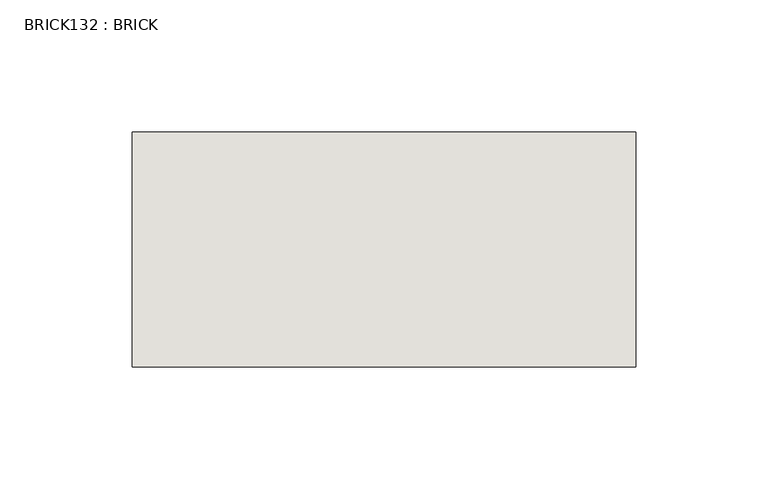
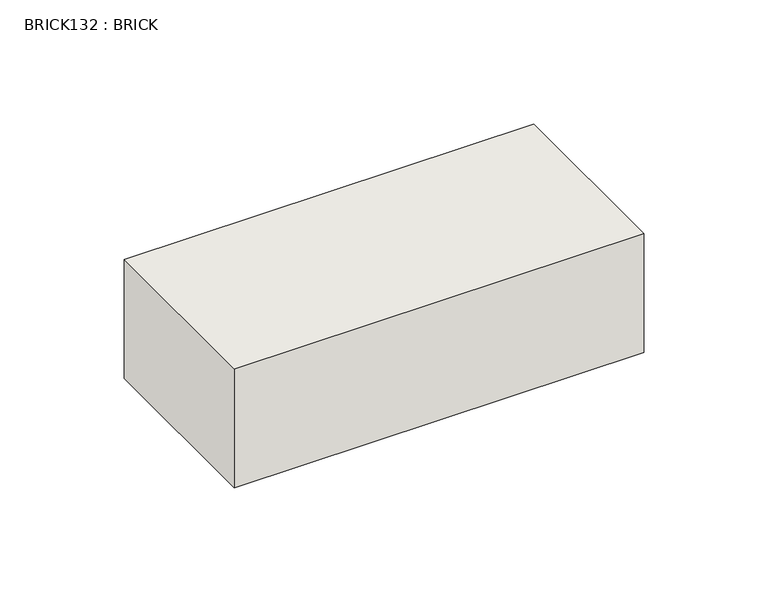
"""IFC4 building model written with IfcOpenShell, lengths in millimetres: wall geometry, BRICK132 : BRICK."""

from ifc_helpers import new_model, si_unit, frame, origin, place, context, project, spatial, polyline, outline, extrude, source, transform, mapped, element, save


def brick132_brick_50f7a96a(model_context):
    return source(origin(), model_context, "Body", "SweptSolid", [
        extrude(outline(polyline([(325.7272594, 2586.2274125), (516.2272594, 2586.2274125), (516.2272594, 2497.3274125), (325.7272594, 2497.3274125), (325.7272594, 2586.2274125)])), frame((0.0, 0.0, 4.1671875), z_axis=(0.0, 0.0, 1.0), x_axis=(1.0, 0.0, 0.0)), (0.0, 0.0, 1.0), 58.4398438),
    ])


if __name__ == "__main__":
    model = new_model("IFC4")
    model_context = context("Model", 3, world=origin())
    ifc_project = project(units=[si_unit("LENGTHUNIT", "METRE", prefix="MILLI")], contexts=[model_context])
    site = spatial("IfcSite", under=ifc_project)
    building = spatial("IfcBuilding", under=site)
    placement = place(None, origin())
    brick132_brick_shape = brick132_brick_50f7a96a(model_context)
    element("IfcWall", 1, ObjectType="BRICK132 : BRICK", at=placement, inside=building, context=model_context, shape_type="MappedRepresentation", body=[
        mapped(brick132_brick_shape, transform((0.0, 0.0, 0.0), x_axis=(1.0, 0.0, 0.0), y_axis=(0.0, 1.0, 0.0), z_axis=(0.0, 0.0, 1.0))),
    ])
    save(model, "model.ifc")
